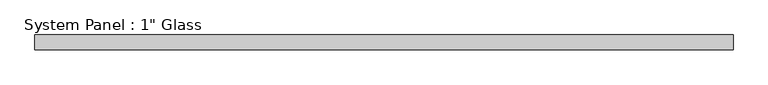
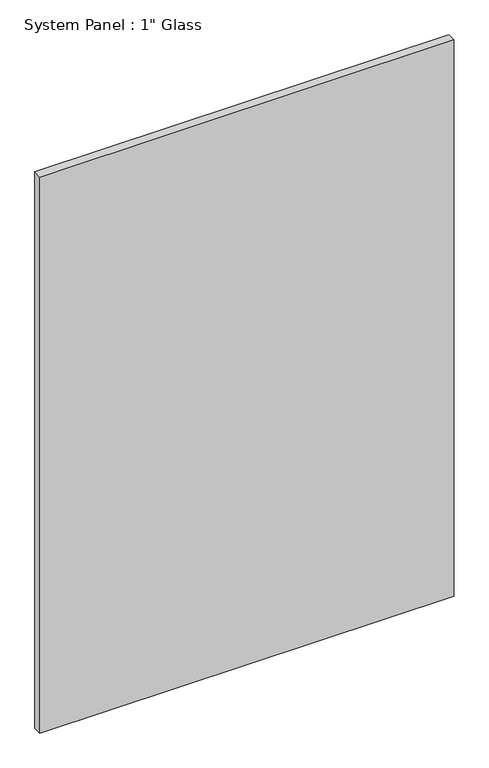
"""IFC4 building model written with IfcOpenShell, lengths in millimetres: plate geometry."""

from ifc_helpers import new_model, si_unit, origin, origin_with_axes, place, context, project, spatial, polyline, outline, extrude, source, transform, mapped, element, save


def plate_51b29ec2(model_context):
    return source(origin(), model_context, "Body", "SweptSolid", [
        extrude(outline(polyline([(596.9, -12.7), (-596.9, -12.7), (-596.9, 12.7), (596.9, 12.7), (596.9, -12.7)])), origin_with_axes(), (0.0, 0.0, 1.0), 1695.45),
    ])


if __name__ == "__main__":
    model = new_model("IFC4")
    model_context = context("Model", 3, world=origin())
    ifc_project = project(units=[si_unit("LENGTHUNIT", "METRE", prefix="MILLI")], contexts=[model_context])
    site = spatial("IfcSite", under=ifc_project)
    building = spatial("IfcBuilding", under=site)
    placement = place(None, origin())
    plate_shape = plate_51b29ec2(model_context)
    element("IfcPlate", 1, ObjectType="System Panel : 1\" Glass", at=placement, inside=building, context=model_context, shape_type="MappedRepresentation", body=[
        mapped(plate_shape, transform((0.0, 0.0, 0.0), x_axis=(1.0, 0.0, 0.0), y_axis=(0.0, 1.0, 0.0), z_axis=(0.0, 0.0, 1.0))),
    ])
    save(model, "model.ifc")
